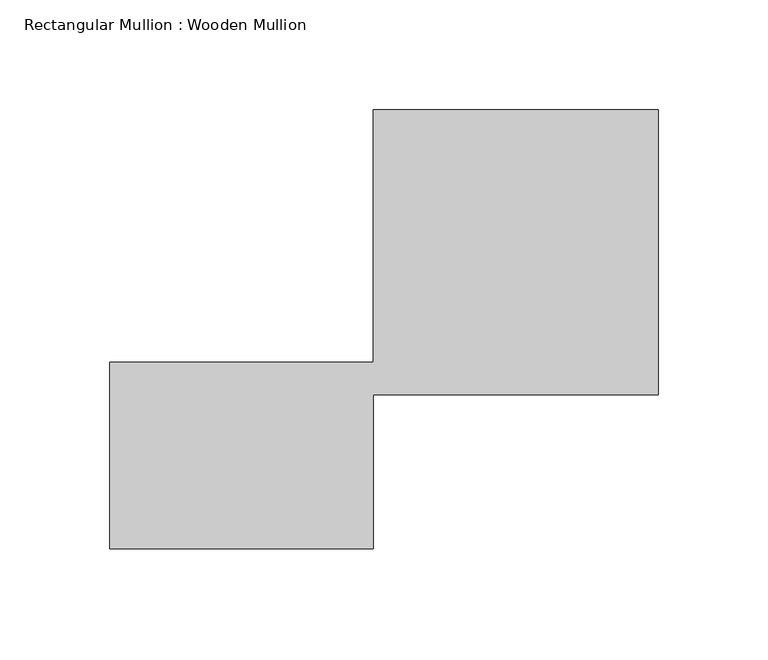
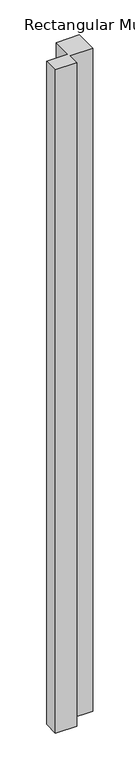
"""IFC4 building model written with IfcOpenShell, lengths in millimetres: member geometry, Rectangular Mullion : Wooden Mullion."""

import ifcopenshell
import ifcopenshell.guid

model = None  # the IFC model being written
_history = None  # IfcOwnerHistory: only IFC2X3 demands one
_inside = {}  # id of a spatial element -> (the spatial element, [elements in it])
_under = {}  # id of a project, library or spatial element -> (it, [spatial elements below it])
_declared = {}  # id of a project -> (the project, [libraries it declares])
_typed = {}  # id of a type object -> (the type object, [elements of that type])
_made_of = {}  # id of a material, layer set ... -> (it, [elements and type objects made of it])


def new_model(schema):
    """Start an empty IFC model of exactly this schema.

    Asked for "IFC4X3", IfcOpenShell would pick the latest addendum, in which some entities
    have other attributes; the version numbers below select the first issue.
    IFC2X3 requires an IfcOwnerHistory on every rooted entity: one is made here for all.
    """
    global model, _history
    if schema == "IFC4X3":
        model = ifcopenshell.file(schema_version=(4, 3, 0, 0))
    else:
        model = ifcopenshell.file(schema=schema)
    _inside.clear()
    _under.clear()
    _declared.clear()
    _typed.clear()
    _made_of.clear()
    _history = None
    if model.schema == "IFC2X3":
        org = make("IfcOrganization", Name="unknown")
        user = make(
            "IfcPersonAndOrganization",
            ThePerson=make("IfcPerson", FamilyName="unknown"),
            TheOrganization=org,
        )
        app = make(
            "IfcApplication",
            ApplicationDeveloper=org,
            Version="unknown",
            ApplicationFullName="unknown",
            ApplicationIdentifier="unknown",
        )
        _history = make(
            "IfcOwnerHistory",
            OwningUser=user,
            OwningApplication=app,
            ChangeAction="ADDED",
            CreationDate=0,
        )
    return model


def make(cls, **values):
    """One entity of the class cls with the attributes given. An attribute that is None is left unset."""
    return model.create_entity(
        cls, **{name: value for name, value in values.items() if value is not None}
    )


def rooted(cls, **values):
    """An entity with a GlobalId (a new one), such as an element, a storey or a relation."""
    return make(cls, GlobalId=ifcopenshell.guid.new(), OwnerHistory=_history, **values)


def si_unit(unit_type, name, prefix=None):
    """IfcSIUnit, for example si_unit("LENGTHUNIT", "METRE", prefix="MILLI")."""
    return make("IfcSIUnit", UnitType=unit_type, Prefix=prefix, Name=name)


def assignment(units):
    """IfcUnitAssignment: the units of a project."""
    return None if units is None else make("IfcUnitAssignment", Units=units)


def point(xyz):
    """IfcCartesianPoint."""
    return None if xyz is None else make("IfcCartesianPoint", Coordinates=xyz)


def direction(xyz):
    """IfcDirection."""
    return None if xyz is None else make("IfcDirection", DirectionRatios=xyz)


def frame(location, z_axis=None, x_axis=None):
    """IfcAxis2Placement3D, a coordinate frame: its origin and axes. An axis left out is left unset."""
    return make(
        "IfcAxis2Placement3D",
        Location=point(location),
        Axis=direction(z_axis),
        RefDirection=direction(x_axis),
    )


def origin():
    """The frame at (0, 0, 0) with its axes left unset."""
    return frame((0.0, 0.0, 0.0))


def place(relative_to, where):
    """IfcLocalPlacement: puts the frame where relative to a parent placement (None: the world)."""
    return make(
        "IfcLocalPlacement", PlacementRelTo=relative_to, RelativePlacement=where
    )


def context(
    kind, dimensions, precision=None, world=None, true_north=None, identifier=None
):
    """IfcGeometricRepresentationContext, for example the 3D "Model" context."""
    return make(
        "IfcGeometricRepresentationContext",
        ContextIdentifier=identifier,
        ContextType=kind,
        CoordinateSpaceDimension=dimensions,
        Precision=precision,
        WorldCoordinateSystem=world,
        TrueNorth=true_north,
    )


def project(units=None, contexts=None):
    """IfcProject with its units and contexts."""
    return rooted(
        "IfcProject",
        Name="project",
        RepresentationContexts=contexts,
        UnitsInContext=assignment(units),
    )


def spatial(cls, under=None, at=None, **own):
    """A site, building, storey or space (cls), placed at a placement, below another one or the project."""
    s = rooted(cls, ObjectPlacement=at, **own)
    if under is not None:
        _under.setdefault(under.id(), (under, []))[1].append(s)
    return s


def polyline(points):
    """IfcPolyline through the points."""
    return make("IfcPolyline", Points=[point(p) for p in points])


def outline(outer, holes=None, kind="AREA"):
    """IfcArbitraryClosedProfileDef: a profile drawn as a closed curve; with holes, ...WithVoids."""
    if holes is None:
        return make("IfcArbitraryClosedProfileDef", ProfileType=kind, OuterCurve=outer)
    return make(
        "IfcArbitraryProfileDefWithVoids",
        ProfileType=kind,
        OuterCurve=outer,
        InnerCurves=holes,
    )


def extrude(swept, where, along, depth):
    """IfcExtrudedAreaSolid: the profile swept, set in the frame where, extruded along a direction by depth."""
    return make(
        "IfcExtrudedAreaSolid",
        SweptArea=swept,
        Position=where,
        ExtrudedDirection=direction(along),
        Depth=depth,
    )


def shape(context_of_items, identifier, shape_type, items):
    """IfcShapeRepresentation: the items that make up one representation, for example the "Body"."""
    return make(
        "IfcShapeRepresentation",
        ContextOfItems=context_of_items,
        RepresentationIdentifier=identifier,
        RepresentationType=shape_type,
        Items=items,
    )


def source(mapping_origin, context_of_items, identifier, shape_type, items):
    """IfcRepresentationMap: a shape defined once, which mapped items show again and again."""
    return make(
        "IfcRepresentationMap",
        MappingOrigin=mapping_origin,
        MappedRepresentation=shape(context_of_items, identifier, shape_type, items),
    )


def transform(
    local_origin,
    x_axis=None,
    y_axis=None,
    z_axis=None,
    scale=None,
    scale2=None,
    scale3=None,
    uniform=True,
):
    """IfcCartesianTransformationOperator3D, or its non-uniform kind. x_axis, y_axis, z_axis: its Axis1, 2, 3."""
    if uniform:
        return make(
            "IfcCartesianTransformationOperator3D",
            Axis1=direction(x_axis),
            Axis2=direction(y_axis),
            LocalOrigin=point(local_origin),
            Scale=scale,
            Axis3=direction(z_axis),
        )
    return make(
        "IfcCartesianTransformationOperator3DnonUniform",
        Axis1=direction(x_axis),
        Axis2=direction(y_axis),
        LocalOrigin=point(local_origin),
        Scale=scale,
        Axis3=direction(z_axis),
        Scale2=scale2,
        Scale3=scale3,
    )


def mapped(mapping_source, mapping_target):
    """IfcMappedItem: shows the shape of a source again, moved by a transform."""
    return make(
        "IfcMappedItem", MappingSource=mapping_source, MappingTarget=mapping_target
    )


def made_of(thing, what):
    """Note that an element or type object is made of a material, layer set ...; save() writes the relation."""
    if what is not None:
        _made_of.setdefault(what.id(), (what, []))[1].append(thing)
    return thing


def element(
    cls,
    number,
    at=None,
    inside=None,
    cuts=None,
    type_object=None,
    material=None,
    context=None,
    identifier="Body",
    shape_type=None,
    held_by="IfcProductDefinitionShape",
    body=None,
    shapes=None,
    **own,
):
    """One element of the class cls, such as IfcWall. Its Tag is "e" and its number.

    at: its placement. inside: the storey or other place that contains it. cuts: it is an
    opening in that element (IfcRelVoidsElement). A single representation is given by context,
    identifier, shape_type and body (its items); several are given by shapes. held_by: the class
    of the entity that holds the representations. save() writes the other relations.
    """
    e = rooted(cls, Tag="e%d" % number, ObjectPlacement=at, **own)
    if body is not None:
        shapes = [shape(context, identifier, shape_type, body)]
    if shapes is not None:
        e.Representation = make(held_by, Representations=shapes)
    if inside is not None:
        _inside.setdefault(inside.id(), (inside, []))[1].append(e)
    if cuts is not None:
        rooted(
            "IfcRelVoidsElement", RelatingBuildingElement=cuts, RelatedOpeningElement=e
        )
    if type_object is not None:
        _typed.setdefault(type_object.id(), (type_object, []))[1].append(e)
    return made_of(e, material)


def aggregate(whole, parts):
    """IfcRelAggregates: a whole, such as a stair, and the parts it consists of."""
    return rooted("IfcRelAggregates", RelatingObject=whole, RelatedObjects=parts)


def save(model, path):
    """Write the relations noted so far, then the file.

    IfcRelAggregates (storeys below a building ...), IfcRelContainedInSpatialStructure (elements
    in a storey), IfcRelDefinesByType, IfcRelAssociatesMaterial and IfcRelDeclares: one each for
    every whole, place, type object, material and project.
    """
    for whole, parts in _under.values():
        aggregate(whole, parts)
    for where, things in _inside.values():
        rooted(
            "IfcRelContainedInSpatialStructure",
            RelatedElements=things,
            RelatingStructure=where,
        )
    for kind, things in _typed.values():
        rooted("IfcRelDefinesByType", RelatedObjects=things, RelatingType=kind)
    for what, things in _made_of.values():
        rooted("IfcRelAssociatesMaterial", RelatedObjects=things, RelatingMaterial=what)
    for by, libraries in _declared.values():
        rooted("IfcRelDeclares", RelatingContext=by, RelatedDefinitions=libraries)
    model.write(path)


def rectangular_mullion_wooden_mullion_a131df48(model_context):
    return source(origin(), model_context, "Body", "SweptSolid", [
        extrude(outline(polyline([(74.8100006, -26.0137344), (-45.1899994, -26.0137344), (-45.1899994, 58.9862656), (74.8100006, 58.9862656), (74.8100006, 173.9862656), (204.8100006, 173.9862656), (204.8100006, 43.9862656), (74.8100006, 43.9862656), (74.8100006, -26.0137344)])), frame((0.0, 0.0, -3949.5050512), z_axis=(0.0, 0.0, 1.0), x_axis=(1.0, 0.0, 0.0)), (0.0, 0.0, 1.0), 3949.5050512),
    ])


if __name__ == "__main__":
    model = new_model("IFC4")
    model_context = context("Model", 3, world=origin())
    ifc_project = project(units=[si_unit("LENGTHUNIT", "METRE", prefix="MILLI")], contexts=[model_context])
    site = spatial("IfcSite", under=ifc_project)
    building = spatial("IfcBuilding", under=site)
    placement = place(None, origin())
    rectangular_mullion_wooden_mullion_shape = rectangular_mullion_wooden_mullion_a131df48(model_context)
    element("IfcMember", 1, ObjectType="Rectangular Mullion : Wooden Mullion", at=placement, inside=building, context=model_context, shape_type="MappedRepresentation", body=[
        mapped(rectangular_mullion_wooden_mullion_shape, transform((0.0, 0.0, 0.0), x_axis=(1.0, 0.0, 0.0), y_axis=(0.0, 1.0, 0.0), z_axis=(0.0, 0.0, 1.0))),
    ])
    save(model, "model.ifc")
